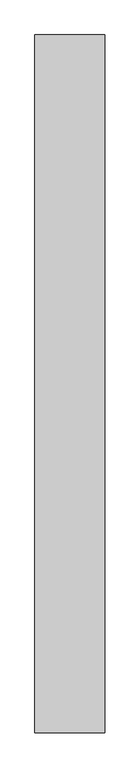
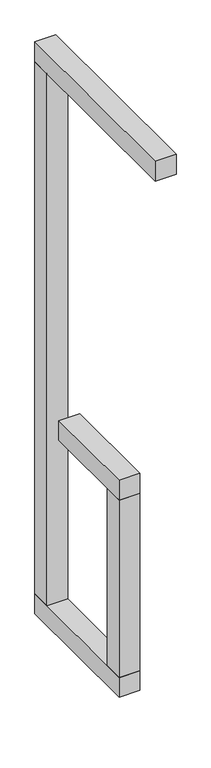
"""IFC4 building model written with IfcOpenShell, lengths in millimetres: proxy geometry."""

from ifc_helpers import new_model, si_unit, frame, origin, origin_with_axes, place, context, project, spatial, polyline, outline, extrude, source, transform, mapped, element, save


def generic_models_522e03f9(model_context):
    return source(origin(), model_context, "Body", "SweptSolid", [
        extrude(outline(polyline([(100.0, 700.0), (100.0, -300.0), (0.0, -300.0), (0.0, 700.0), (100.0, 700.0)])), frame((0.0, 0.0, 2800.0), z_axis=(0.0, 0.0, 1.0), x_axis=(1.0, 0.0, 0.0)), (0.0, 0.0, 1.0), 100.0),
        extrude(outline(polyline([(100.0, 700.0), (100.0, 600.0), (0.0, 600.0), (0.0, 700.0), (100.0, 700.0)])), frame((0.0, 0.0, 100.0), z_axis=(0.0, 0.0, 1.0), x_axis=(1.0, 0.0, 0.0)), (0.0, 0.0, 1.0), 2700.0),
        extrude(outline(polyline([(100.0, 500.0), (100.0, 0.0), (0.0, 0.0), (0.0, 500.0), (100.0, 500.0)])), frame((0.0, 0.0, 1000.0), z_axis=(0.0, 0.0, 1.0), x_axis=(1.0, 0.0, 0.0)), (0.0, 0.0, 1.0), 100.0),
        extrude(outline(polyline([(100.0, 100.0), (100.0, 0.0), (0.0, 0.0), (0.0, 100.0), (100.0, 100.0)])), frame((0.0, 0.0, 100.0), z_axis=(0.0, 0.0, 1.0), x_axis=(1.0, 0.0, 0.0)), (0.0, 0.0, 1.0), 900.0),
        extrude(outline(polyline([(100.0, 700.0), (100.0, 0.0), (0.0, 0.0), (0.0, 700.0), (100.0, 700.0)])), origin_with_axes(), (0.0, 0.0, 1.0), 100.0),
    ])


if __name__ == "__main__":
    model = new_model("IFC4")
    model_context = context("Model", 3, world=origin())
    ifc_project = project(units=[si_unit("LENGTHUNIT", "METRE", prefix="MILLI")], contexts=[model_context])
    site = spatial("IfcSite", under=ifc_project)
    building = spatial("IfcBuilding", under=site)
    placement = place(None, origin())
    generic_models_shape = generic_models_522e03f9(model_context)
    element("IfcBuildingElementProxy", 1, Name="Generic Models", at=placement, inside=building, context=model_context, shape_type="MappedRepresentation", body=[
        mapped(generic_models_shape, transform((0.0, 0.0, 0.0), x_axis=(1.0, 0.0, 0.0), y_axis=(0.0, 1.0, 0.0), z_axis=(0.0, 0.0, 1.0))),
    ])
    save(model, "model.ifc")
